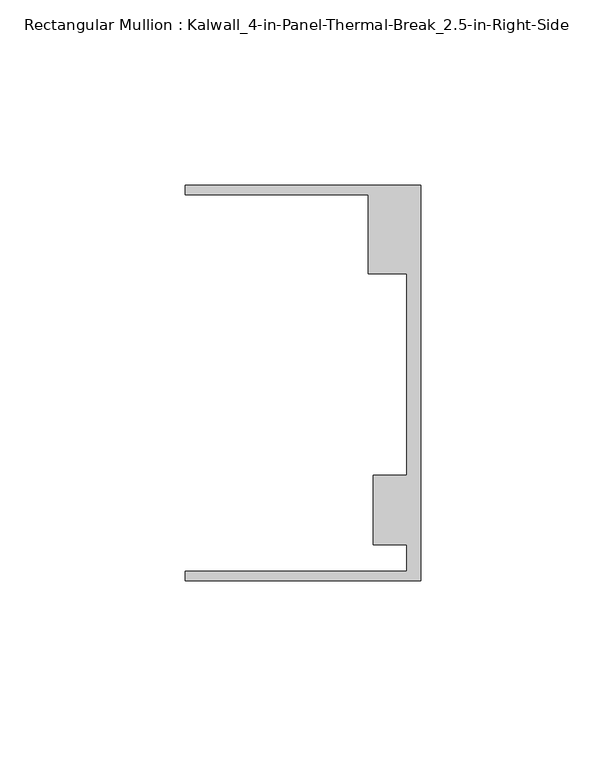
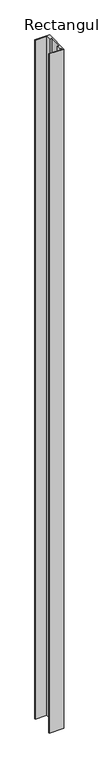
"""IFC4 building model written with IfcOpenShell, lengths in millimetres: member geometry, Rectangular Mullion : Kalwall_4-in-Panel-Thermal-Break_2.5-in-Right-Side."""

from ifc_helpers import new_model, si_unit, frame, origin, place, context, project, spatial, polyline, outline, extrude, source, transform, mapped, element, save


def rectangular_mullion_kalwall_4_in_panel_thermal_break_2_5_in_48488d57(model_context):
    return source(origin(), model_context, "Body", "SweptSolid", [
        extrude(outline(polyline([(0.0, -53.3026386), (-63.5, -53.3026386), (-63.5, -50.7626386), (-3.7084, -50.7626386), (-3.7084, -43.6138568), (-12.8272539, -43.6138568), (-12.8272539, -24.9129886), (-3.7084, -24.9129886), (-3.7084, 29.5648614), (-14.1732, 29.5648614), (-14.1732, 50.8373614), (-63.5, 50.8373614), (-63.5, 53.3773614), (0.0, 53.3773614), (0.0, -53.3026386)])), frame((0.0, 0.0, -3098.8), z_axis=(0.0, 0.0, 1.0), x_axis=(1.0, 0.0, 0.0)), (0.0, 0.0, 1.0), 3098.8),
    ])


if __name__ == "__main__":
    model = new_model("IFC4")
    model_context = context("Model", 3, world=origin())
    ifc_project = project(units=[si_unit("LENGTHUNIT", "METRE", prefix="MILLI")], contexts=[model_context])
    site = spatial("IfcSite", under=ifc_project)
    building = spatial("IfcBuilding", under=site)
    placement = place(None, origin())
    rectangular_mullion_kalwall_4_in_panel_thermal_break_2_5_in_shape = rectangular_mullion_kalwall_4_in_panel_thermal_break_2_5_in_48488d57(model_context)
    element("IfcMember", 1, ObjectType="Rectangular Mullion : Kalwall_4-in-Panel-Thermal-Break_2.5-in-Right-Side", at=placement, inside=building, context=model_context, shape_type="MappedRepresentation", body=[
        mapped(rectangular_mullion_kalwall_4_in_panel_thermal_break_2_5_in_shape, transform((0.0, 0.0, 0.0), x_axis=(1.0, 0.0, 0.0), y_axis=(0.0, 1.0, 0.0), z_axis=(0.0, 0.0, 1.0))),
    ])
    save(model, "model.ifc")
